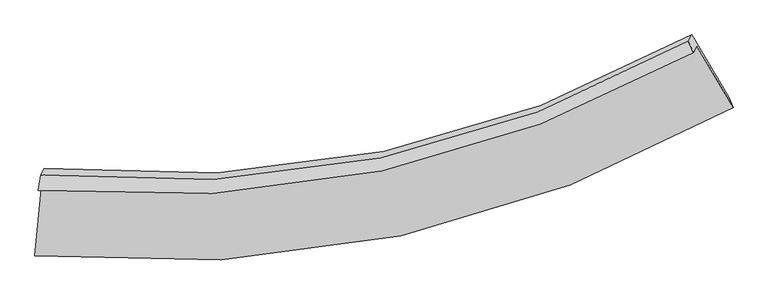
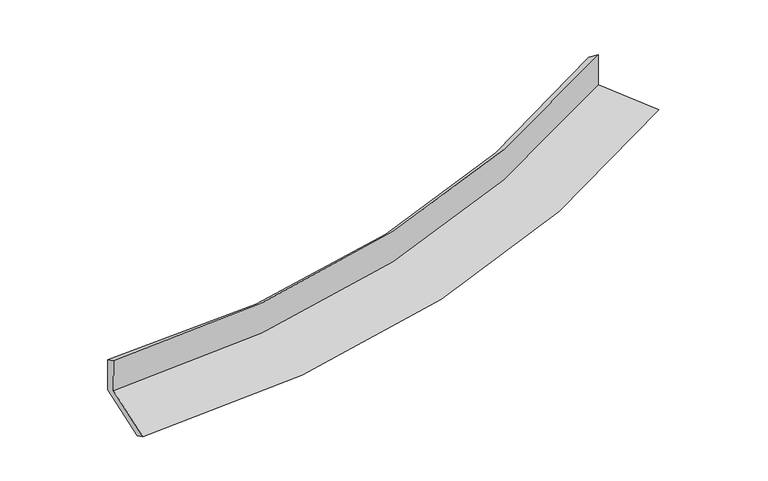
"""IFC4 building model written with IfcOpenShell, lengths in millimetres: proxy geometry."""

from ifc_helpers import new_model, si_unit, frame, origin, place, context, project, spatial, source, transform, mapped, element, save
from ifc_brep_helpers import plane_surface, spline_curve, spline_surface, advanced_brep


def generic_models_e9ad85e2(model_context):
    return source(origin(), model_context, "Body", "AdvancedBrep", [
        advanced_brep(
        [(-3117.2539559, -2025.7005156, 1988.6984247), (-3085.5729088, -1966.6316561, 1597.1822906), (2916.5745887, -698.8536008, 2243.4612109), (2884.4915564, -758.671956, 2639.9451), (-3096.7334322, -1881.6579416, 1908.6846266), (2839.1267617, -656.6630569, 2562.1608795), (-3064.9551356, -1822.4077618, 1515.9666782), (2871.3174337, -596.6440091, 2164.3467731), (-3128.871612, -2487.2240763, 1410.492398), (3207.6405235, -1167.1607009, 2105.4866122), (-3148.7495506, -2623.7527074, 1492.9288775), (3248.6346805, -1262.138819, 2185.3471205)],
        [
            (0, 1),
            (1, 2, spline_curve(3, [(-3085.5729088, -1966.6316561, 1597.1822906), (-2000.905561051, -2063.870053909, 1670.249390683), (-952.435214958, -2003.489571653, 1761.561451738), (1046.470065023, -1573.012884321, 1977.900360823), (1998.715551299, -1210.800681561, 2102.01460623), (2916.5745887, -698.8536008, 2243.4612109)], [4, 2, 4], [0.0, 10.368235943950966, 20.47383909086779])),
            (2, 3),
            (3, 0, spline_curve(3, [(2884.4915564, -758.671956, 2639.9451), (1966.6233293, -1270.636171148, 2498.612065804), (1014.405833715, -1632.796185214, 2374.15190702), (-984.367409113, -2063.02669101, 2156.181273224), (-2032.731751012, -2123.209529897, 2063.559206792), (-3117.2539559, -2025.7005156, 1988.6984247)], [4, 2, 4], [0.0, 10.105603146916826, 20.47383909086779])),
            (4, 0),
            (3, 5),
            (5, 4, spline_curve(3, [(2839.1267617, -656.6630569, 2562.1608795), (1931.838310318, -1163.760555838, 2404.841953125), (990.329046864, -1520.042481061, 2272.10525527), (-986.489186416, -1936.315013709, 2052.985507454), (-2023.599987832, -1988.364716533, 1967.896788001), (-3096.7334322, -1881.6579416, 1908.6846266)], [4, 2, 4], [0.0, 10.049013765156294, 20.35918963555346])),
            (6, 4),
            (5, 7),
            (7, 6, spline_curve(3, [(2871.3174337, -596.6440091, 2164.3467731), (1963.534708719, -1104.663074065, 2013.136106769), (1021.741649765, -1461.474132158, 1883.906570939), (-955.225124561, -1878.023616878, 1666.622498121), (-1992.189588484, -1929.800476476, 1579.725335962), (-3064.9551356, -1822.4077618, 1515.9666782)], [4, 2, 4], [0.0, 9.99262188550544, 20.244940317307133])),
            (8, 6),
            (7, 9),
            (9, 8, spline_curve(3, [(3207.6405235, -1167.1607009, 2105.4866122), (2236.46884626, -1707.580675907, 1944.258189882), (1230.071651345, -2088.457990751, 1806.170032749), (-880.244328404, -2536.879527837, 1573.286888498), (-1986.017845503, -2596.023338363, 1479.710307333), (-3128.871612, -2487.2240763, 1410.492398)], [4, 2, 4], [0.0, 10.364005257041272, 20.997358879495422])),
            (10, 8),
            (9, 11),
            (11, 10, spline_curve(3, [(3248.6346805, -1262.138819, 2185.3471205), (2271.436001685, -1820.546500503, 2032.089210383), (1257.04328164, -2213.907318585, 1898.246623571), (-873.459747638, -2676.468840454, 1666.418265788), (-1991.528438468, -2736.97931833, 1569.454771637), (-3148.7495506, -2623.7527074, 1492.9288775)], [4, 2, 4], [0.0, 10.727048101061763, 21.732879626105614])),
            (1, 10),
            (11, 2),
        ],
        [
            spline_surface(3, 3, [[(-3117.2539559, -2025.7005156, 1988.6984247), (-2032.73175101, -2123.209529909, 2063.559206727), (-984.367409068, -2063.026690871, 2156.181273155), (1014.405833671, -1632.79618535, 2374.151907087), (1966.623329139, -1270.636171203, 2498.612065765), (2884.4915564, -758.671956, 2639.9451)], [(-3106.693606851, -2006.010895758, 1858.193046656), (-2022.123021048, -2103.429704547, 1932.45593469), (-973.723344392, -2043.180984437, 2024.641332753), (1025.093910804, -1612.868418321, 2242.068058316), (1977.320736576, -1250.691007957, 2366.412912582), (2895.185900507, -738.732504289, 2507.783803622)], [(-3096.133257849, -1986.321275942, 1727.687668644), (-2011.514291134, -2083.649879212, 1801.352662685), (-963.079279699, -2023.335278073, 1893.101392272), (1035.781987953, -1592.940651362, 2109.984209467), (1988.018143993, -1230.745844644, 2234.213759431), (2905.880244593, -718.793052511, 2375.622507278)], [(-3085.5729088, -1966.6316561, 1597.1822906), (-2000.905561173, -2063.87005385, 1670.249390648), (-952.435215022, -2003.48957164, 1761.561451869), (1046.470065086, -1573.012884333, 1977.900360696), (1998.71555143, -1210.800681397, 2102.014606248), (2916.5745887, -698.8536008, 2243.4612109)]], [4, 4], [4, 2, 4], [0.0, 1.3161664000452975], [0.0, 10.368235943950966, 20.47383909086779]),
            spline_surface(3, 3, [[(-3096.7334322, -1881.6579416, 1908.6846266), (-2023.599987813, -1988.364716678, 1967.896787923), (-986.489186549, -1936.315013603, 2052.985507566), (990.329046993, -1520.042481164, 2272.105255162), (1931.838310354, -1163.760555993, 2404.841953203), (2839.1267617, -656.6630569, 2562.1608795)], [(-3103.573606773, -1929.672132938, 1935.355892623), (-2026.643908886, -2033.31298776, 1999.784260847), (-985.781927367, -1978.552239379, 2087.384096093), (998.354642574, -1557.627049246, 2306.120805801), (1943.433316617, -1199.385761054, 2436.098657403), (2854.248359935, -690.666023258, 2588.088953012)], [(-3110.413781327, -1977.686324262, 1962.027158677), (-2029.687829938, -2078.261258827, 2031.671733803), (-985.07466825, -2020.789465095, 2121.782684628), (1006.380238091, -1595.211617268, 2340.136356448), (1955.028322876, -1235.010966142, 2467.355361565), (2869.369958165, -724.668989642, 2614.017026488)], [(-3117.2539559, -2025.7005156, 1988.6984247), (-2032.73175101, -2123.209529909, 2063.559206727), (-984.367409068, -2063.026690871, 2156.181273155), (1014.405833671, -1632.79618535, 2374.151907087), (1966.623329139, -1270.636171203, 2498.612065765), (2884.4915564, -758.671956, 2639.9451)]], [4, 4], [4, 2, 4], [0.0, 0.5195401893290934], [0.0, 10.310175870397165, 20.35918963555346]),
            spline_surface(3, 3, [[(-3064.9551356, -1822.4077618, 1515.9666782), (-1992.189588627, -1929.800476347, 1579.725336125), (-955.225124556, -1878.023616812, 1666.62249829), (1021.74164976, -1461.474132222, 1883.906570774), (1963.53470879, -1104.663074188, 2013.136106869), (2871.3174337, -596.6440091, 2164.3467731)], [(-3075.54790114, -1842.157821726, 1646.872661028), (-2002.659721696, -1949.321889783, 1709.115820085), (-965.646478574, -1897.454082404, 1795.410168038), (1011.270782151, -1480.996915198, 2013.306132226), (1952.969242642, -1124.362234787, 2143.704722296), (2860.587209698, -616.650358364, 2296.951475216)], [(-3086.14066666, -1861.907881674, 1777.778643772), (-2013.129854745, -1968.843303242, 1838.506303962), (-976.067832531, -1916.884548011, 1924.197837818), (1000.799914602, -1500.519698188, 2142.70569371), (1942.403776502, -1144.061395394, 2274.273337776), (2849.856985702, -636.656707636, 2429.556177384)], [(-3096.7334322, -1881.6579416, 1908.6846266), (-2023.599987813, -1988.364716678, 1967.896787923), (-986.489186549, -1936.315013603, 2052.985507566), (990.329046993, -1520.042481164, 2272.105255162), (1931.838310354, -1163.760555993, 2404.841953203), (2839.1267617, -656.6630569, 2562.1608795)]], [4, 4], [4, 2, 4], [0.0, 1.2890188759011985], [0.0, 10.252318431801694, 20.244940317307133]),
            spline_surface(3, 3, [[(-3128.871612, -2487.2240763, 1410.492398), (-1986.017845501, -2596.023338384, 1479.710307389), (-880.24432848, -2536.879527963, 1573.286888496), (1230.071651418, -2088.457990629, 1806.170032751), (2236.468846236, -1707.580675965, 1944.258189748), (3207.6405235, -1167.1607009, 2105.4866122)], [(-3107.566119859, -2265.618638121, 1445.650491369), (-1988.075093202, -2373.949051026, 1513.04865027), (-905.237927156, -2317.260890907, 1604.398758434), (1160.628317549, -1879.463371154, 1832.082212099), (2145.490800431, -1506.608142052, 1967.217495464), (3095.53282691, -976.988470313, 2125.106665842)], [(-3086.260627741, -2044.013199979, 1480.808584831), (-1990.132340926, -2151.874763706, 1546.386993244), (-930.23152588, -2097.642253868, 1635.510628352), (1091.18498363, -1670.468751697, 1857.994391426), (2054.512754595, -1305.635608102, 1990.176801154), (2983.42513029, -786.816239687, 2144.726719458)], [(-3064.9551356, -1822.4077618, 1515.9666782), (-1992.189588627, -1929.800476347, 1579.725336125), (-955.225124556, -1878.023616812, 1666.62249829), (1021.74164976, -1461.474132222, 1883.906570774), (1963.53470879, -1104.663074188, 2013.136106869), (2871.3174337, -596.6440091, 2164.3467731)]], [4, 4], [4, 2, 4], [0.0, 2.1782439626210626], [0.0, 10.63335362245415, 20.997358879495422]),
            spline_surface(3, 3, [[(-3148.7495506, -2623.7527074, 1492.9288775), (-1991.528438485, -2736.979318299, 1569.454771704), (-873.45974781, -2676.468840297, 1666.418265918), (1257.043281807, -2213.907318738, 1898.246623444), (2271.436001532, -1820.546500623, 2032.089210262), (3248.6346805, -1262.138819, 2185.3471205)], [(-3142.123571067, -2578.243163708, 1465.450051003), (-1989.691574157, -2689.993991668, 1539.539950269), (-875.721274724, -2629.939069536, 1635.374473451), (1248.05273832, -2172.090876052, 1867.554426552), (2259.780283112, -1782.891225729, 2002.812203425), (3234.969961513, -1230.479446292, 2158.726951067)], [(-3135.497591533, -2532.733619992, 1437.971224497), (-1987.854709828, -2643.008665014, 1509.625128824), (-877.982801566, -2583.409298723, 1604.330680964), (1239.062194905, -2130.274433315, 1836.862229642), (2248.124564655, -1745.235950859, 1973.535196586), (3221.305242487, -1198.820073608, 2132.106781633)], [(-3128.871612, -2487.2240763, 1410.492398), (-1986.017845501, -2596.023338384, 1479.710307389), (-880.24432848, -2536.879527963, 1573.286888496), (1230.071651418, -2088.457990629, 1806.170032751), (2236.468846236, -1707.580675965, 1944.258189748), (3207.6405235, -1167.1607009, 2105.4866122)]], [4, 4], [4, 2, 4], [0.0, 0.5337045670266307], [0.0, 11.00583152504385, 21.732879626105614]),
            spline_surface(3, 3, [[(-3085.5729088, -1966.6316561, 1597.1822906), (-2000.905561173, -2063.87005385, 1670.249390648), (-952.435215022, -2003.48957164, 1761.561451869), (1046.470065086, -1573.012884333, 1977.900360696), (1998.71555143, -1210.800681397, 2102.014606248), (2916.5745887, -698.8536008, 2243.4612109)], [(-3106.63178941, -2185.67200655, 1562.43115292), (-1997.77985362, -2288.239808683, 1636.651184354), (-926.110059273, -2227.815994521, 1729.847056526), (1116.661137338, -1786.644362464, 1951.349114919), (2089.622368102, -1414.04928779, 2078.706140927), (3027.261285938, -886.615340185, 2224.089847441)], [(-3127.69066999, -2404.71235695, 1527.68001518), (-1994.654146038, -2512.609563466, 1603.052977999), (-899.784903559, -2452.142417415, 1698.132661261), (1186.852209555, -2000.275840607, 1924.797869221), (2180.52918486, -1617.29789423, 2055.397675584), (3137.947983262, -1074.377079615, 2204.718483959)], [(-3148.7495506, -2623.7527074, 1492.9288775), (-1991.528438485, -2736.979318299, 1569.454771704), (-873.45974781, -2676.468840297, 1666.418265918), (1257.043281807, -2213.907318738, 1898.246623444), (2271.436001532, -1820.546500623, 2032.089210262), (3248.6346805, -1262.138819, 2185.3471205)]], [4, 4], [4, 2, 4], [0.0, 2.225761778461718], [0.0, 10.717595769257677, 21.16370927580666]),
            plane_surface(frame((2994.6309241, -856.6886904, 2316.7912827), z_axis=(0.8589325536690777, 0.4915244962633274, 0.1436611910733007), x_axis=(-0.505839359520464, 0.8580731051043227, 0.08852733282186348))),
            plane_surface(frame((-3107.0227658, -2134.5624431, 1652.3255493), z_axis=(-0.9923219735889867, 0.10561472669503666, -0.0643632677665722), x_axis=(-0.07975845163644771, -0.14870849293066518, 0.9856593597804705))),
        ],
        [
            (0, [[1, 2, 3, 4]]),
            (1, [[5, -4, 6, 7]]),
            (2, [[8, -7, 9, 10]]),
            (3, [[11, -10, 12, 13]]),
            (4, [[14, -13, 15, 16]]),
            (5, [[17, -16, 18, -2]]),
            (6, [[-12, -9, -6, -3, -18, -15]]),
            (7, [[-1, -5, -8, -11, -14, -17]]),
        ],
    ),
    ])


if __name__ == "__main__":
    model = new_model("IFC4")
    model_context = context("Model", 3, world=origin())
    ifc_project = project(units=[si_unit("LENGTHUNIT", "METRE", prefix="MILLI")], contexts=[model_context])
    site = spatial("IfcSite", under=ifc_project)
    building = spatial("IfcBuilding", under=site)
    placement = place(None, origin())
    generic_models_shape = generic_models_e9ad85e2(model_context)
    element("IfcBuildingElementProxy", 1, Name="Generic Models", at=placement, inside=building, context=model_context, shape_type="MappedRepresentation", body=[
        mapped(generic_models_shape, transform((0.0, 0.0, 0.0), x_axis=(1.0, 0.0, 0.0), y_axis=(0.0, 1.0, 0.0), z_axis=(0.0, 0.0, 1.0))),
    ])
    save(model, "model.ifc")
